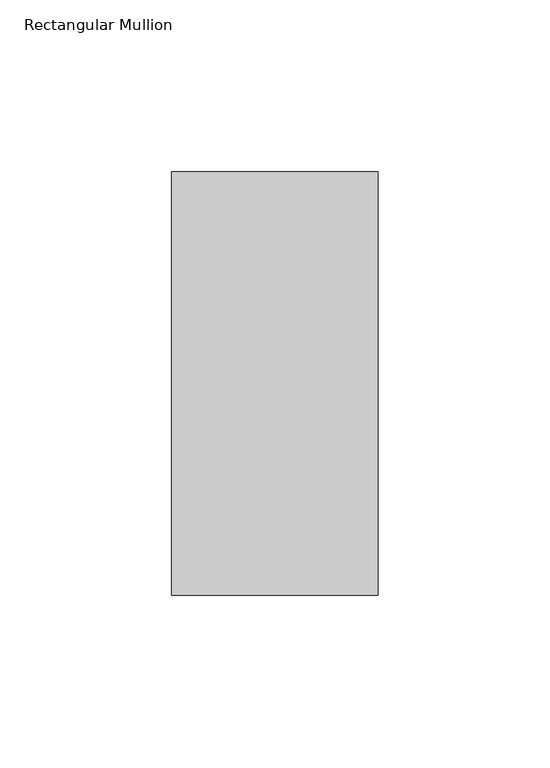
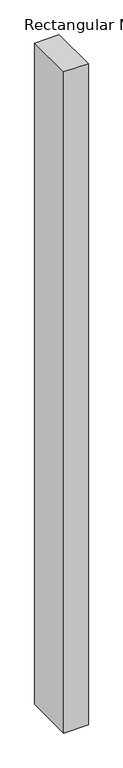
"""IFC4 building model written with IfcOpenShell, lengths in millimetres: member geometry, Rectangular Mullion."""

from ifc_helpers import new_model, si_unit, frame, origin, place, context, project, spatial, polyline, outline, extrude, source, transform, mapped, element, save


def rectangular_mullion_a81a4b3d(model_context):
    return source(origin(), model_context, "Body", "SweptSolid", [
        extrude(outline(polyline([(30.0, 77.05), (30.0, -46.05), (-30.0, -46.05), (-30.0, 77.05), (30.0, 77.05)])), frame((0.0, 0.0, -1708.8912252), z_axis=(0.0, 0.0, 1.0), x_axis=(1.0, 0.0, 0.0)), (0.0, 0.0, 1.0), 1708.8912252),
    ])


if __name__ == "__main__":
    model = new_model("IFC4")
    model_context = context("Model", 3, world=origin())
    ifc_project = project(units=[si_unit("LENGTHUNIT", "METRE", prefix="MILLI")], contexts=[model_context])
    site = spatial("IfcSite", under=ifc_project)
    building = spatial("IfcBuilding", under=site)
    placement = place(None, origin())
    rectangular_mullion_shape = rectangular_mullion_a81a4b3d(model_context)
    element("IfcMember", 1, ObjectType="Rectangular Mullion", at=placement, inside=building, context=model_context, shape_type="MappedRepresentation", body=[
        mapped(rectangular_mullion_shape, transform((0.0, 0.0, 0.0), x_axis=(1.0, 0.0, 0.0), y_axis=(0.0, 1.0, 0.0), z_axis=(0.0, 0.0, 1.0))),
    ])
    save(model, "model.ifc")
